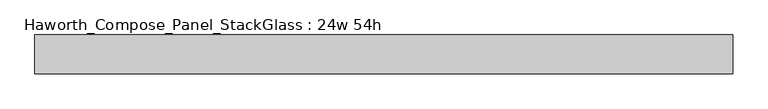
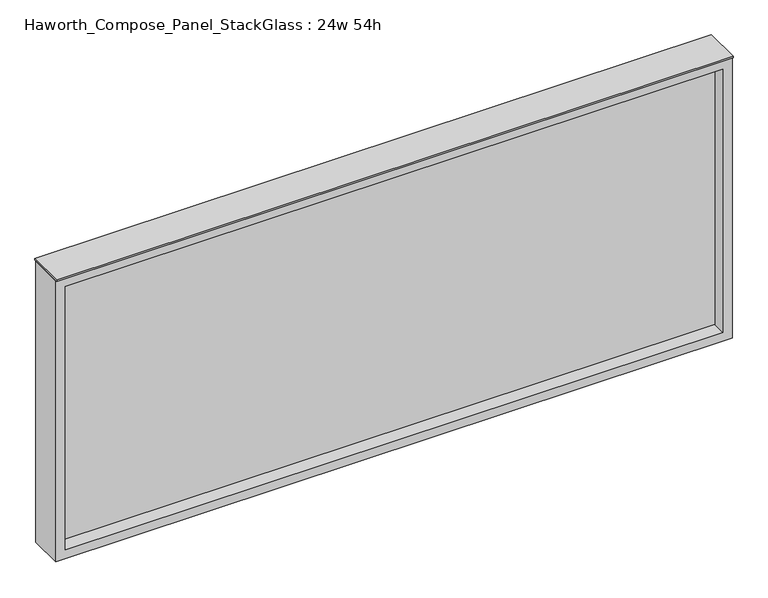
"""IFC4 building model written with IfcOpenShell, lengths in millimetres: furniture geometry, Haworth_Compose_Panel_StackGlass : 24w 54h."""

from ifc_helpers import new_model, si_unit, frame, origin, place, context, project, spatial, polyline, outline, extrude, source, transform, mapped, element, save


def haworth_compose_panel_stackglass_24w_54h_d4d21205(model_context):
    return source(origin(), model_context, "Body", "SweptSolid", [
        extrude(outline(polyline([(669.1902902, -6.35), (-664.3097098, -6.35), (-664.3097098, 6.35), (669.1902902, 6.35), (669.1902902, -6.35)])), frame((0.0, 0.0, 1085.85), z_axis=(0.0, 0.0, 1.0), x_axis=(1.0, 0.0, 0.0)), (0.0, 0.0, 1.0), 565.15),
        extrude(outline(polyline([(1670.05, -683.3597098), (1066.8, -683.3597098), (1066.8, 688.2402902), (1670.05, 688.2402902), (1670.05, -683.3597098)]), holes=[polyline([(1651.0, 669.1902902), (1085.85, 669.1902902), (1085.85, -664.3097098), (1651.0, -664.3097098), (1651.0, 669.1902902)])]), frame((0.0, -34.925, 0.0), z_axis=(0.0, 1.0, 0.0), x_axis=(0.0, 0.0, 1.0)), (0.0, 0.0, 1.0), 69.85),
        extrude(outline(polyline([(-683.3597098, -38.1), (-683.3597098, 38.1), (688.2402902, 38.1), (688.2402902, -38.1), (-683.3597098, -38.1)])), frame((0.0, 0.0, 1670.05), z_axis=(0.0, 0.0, 1.0), x_axis=(1.0, 0.0, 0.0)), (0.0, 0.0, 1.0), 3.175),
    ])


if __name__ == "__main__":
    model = new_model("IFC4")
    model_context = context("Model", 3, world=origin())
    ifc_project = project(units=[si_unit("LENGTHUNIT", "METRE", prefix="MILLI")], contexts=[model_context])
    site = spatial("IfcSite", under=ifc_project)
    building = spatial("IfcBuilding", under=site)
    placement = place(None, origin())
    haworth_compose_panel_stackglass_24w_54h_shape = haworth_compose_panel_stackglass_24w_54h_d4d21205(model_context)
    element("IfcFurniture", 1, ObjectType="Haworth_Compose_Panel_StackGlass : 24w 54h", at=placement, inside=building, context=model_context, shape_type="MappedRepresentation", body=[
        mapped(haworth_compose_panel_stackglass_24w_54h_shape, transform((0.0, 0.0, 0.0), x_axis=(1.0, 0.0, 0.0), y_axis=(0.0, 1.0, 0.0), z_axis=(0.0, 0.0, 1.0))),
    ])
    save(model, "model.ifc")
